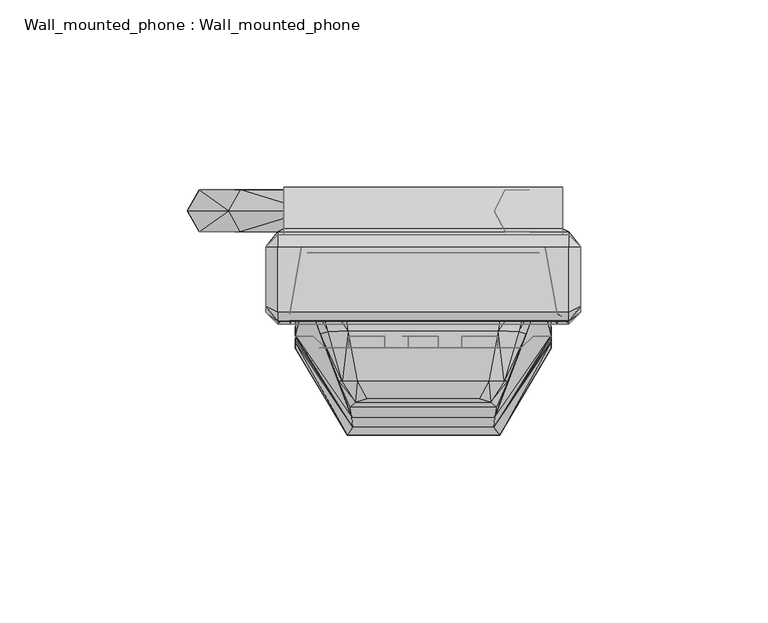
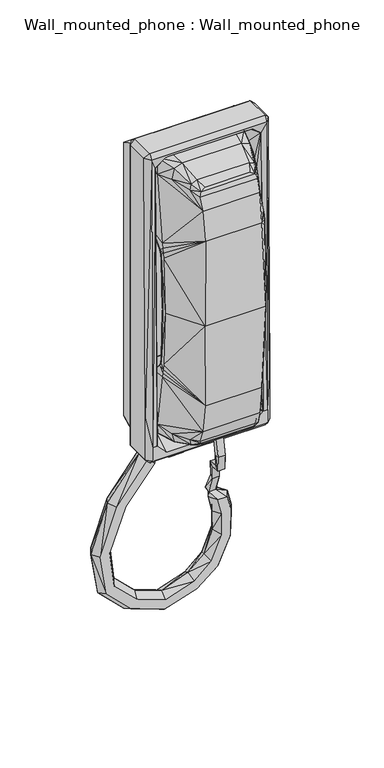
"""IFC4 building model written with IfcOpenShell, lengths in millimetres: proxy geometry, Wall_mounted_phone : Wall_mounted_phone."""

from ifc_helpers import new_model, si_unit, origin, place, context, project, spatial, triangles, source, transform, mapped, element, save


def wall_mounted_phone_wall_mounted_phone_7edd5b87(model_context):
    return source(origin(), model_context, "Body", "Tessellation", [
        triangles([(-5.5562492, -39.6874985, 1098.4839988), (-5.5562492, -39.6874985, 1108.0089988), (3.968753, -39.6874985, 1098.4839988), (3.968753, -39.6874985, 1108.0089988), (-5.5562492, -39.6874985, 1084.1964988), (-5.5562492, -39.6874985, 1093.7214988), (3.968753, -39.6874985, 1084.1964988), (3.968753, -39.6874985, 1093.7214988), (-5.5562492, -39.6874985, 1112.7714988), (-5.5562492, -39.6874985, 1122.2964988), (3.968753, -39.6874985, 1112.7714988), (3.968753, -39.6874985, 1122.2964988), (-5.5562492, -42.8625, 1108.0089988), (3.968753, -42.8625, 1108.0089988), (3.968753, -42.8625, 1098.4839988), (-5.5562492, -42.8625, 1098.4839988), (-5.5562492, -42.8625, 1093.7214988), (3.968753, -42.8625, 1093.7214988), (3.968753, -42.8625, 1084.1964988), (-5.5562492, -42.8625, 1084.1964988), (-5.5562492, -42.8625, 1122.2964988), (3.968753, -42.8625, 1122.2964988), (3.968753, -42.8625, 1112.7714988), (-5.5562492, -42.8625, 1112.7714988), (-5.5562492, -39.6874985, 1127.0589988), (-5.5562492, -39.6874985, 1136.5839988), (3.968753, -39.6874985, 1127.0589988), (3.968753, -39.6874985, 1136.5839988), (-5.5562492, -42.8625, 1136.5839988), (3.968753, -42.8625, 1136.5839988), (3.968753, -42.8625, 1127.0589988), (-5.5562492, -42.8625, 1127.0589988), (-3.9687485, -39.6874985, 1122.2964988), (-3.9687485, -42.8625, 1122.2964988), (-3.9687485, -42.8625, 1112.7714988), (-3.9687485, -39.6874985, 1112.7714988), (-10.3187492, -39.6874985, 1122.2964988), (-10.3187492, -42.8625, 1122.2964988), (-10.3187492, -39.6874985, 1112.7714988), (-10.3187492, -42.8625, 1112.7714988), (-19.8437492, -42.8625045, 1112.7714988), (-19.8437492, -39.687503, 1112.7714988), (-19.8437492, -42.8625045, 1122.2964988), (-19.8437492, -39.687503, 1122.2964988), (-10.3187492, -39.6874985, 1108.0089988), (-10.3187492, -42.8625, 1108.0089988), (-10.3187492, -39.6874985, 1098.4839988), (-10.3187492, -42.8625, 1098.4839988), (-19.8437492, -42.8625045, 1098.4839988), (-19.8437492, -39.687503, 1098.4839988), (-19.8437492, -42.8625045, 1108.0089988), (-19.8437492, -39.687503, 1108.0089988), (-10.3187492, -39.6874985, 1093.7214988), (-10.3187492, -42.8625, 1093.7214988), (-10.3187492, -39.6874985, 1084.1964988), (-10.3187492, -42.8625, 1084.1964988), (-19.8437492, -42.8625045, 1084.1964988), (-19.8437492, -39.687503, 1084.1964988), (-19.8437492, -42.8625045, 1093.7214988), (-19.8437492, -39.687503, 1093.7214988), (-3.9687485, -39.6874985, 1093.7214988), (-3.9687485, -42.8625, 1093.7214988), (-3.9687485, -42.8625, 1084.1964988), (-3.9687485, -39.6874985, 1084.1964988), (-3.9687485, -39.6874985, 1108.0089988), (-3.9687485, -42.8625, 1108.0089988), (-3.9687485, -42.8625, 1098.4839988), (-3.9687485, -39.6874985, 1098.4839988), (-3.9687485, -39.6874985, 1136.5839988), (-3.9687485, -42.8625, 1136.5839988), (-3.9687485, -42.8625, 1127.0589988), (-3.9687485, -39.6874985, 1127.0589988), (-10.3187492, -39.6874985, 1136.5839988), (-10.3187492, -42.8625, 1136.5839988), (-10.3187492, -39.6874985, 1127.0589988), (-10.3187492, -42.8625, 1127.0589988), (-19.8437492, -42.8625045, 1127.0589988), (-19.8437492, -39.687503, 1127.0589988), (-19.8437492, -42.8625045, 1136.5839988), (-19.8437492, -39.687503, 1136.5839988), (10.3187515, -42.8625, 1122.2964988), (10.3187515, -39.6874985, 1122.2964988), (10.3187515, -39.6874985, 1112.7714988), (10.3187515, -42.8625, 1112.7714988), (19.8437515, -39.6874985, 1112.7714988), (19.8437515, -42.8624955, 1112.7714988), (19.8437515, -39.6874985, 1122.2964988), (19.8437515, -42.8624955, 1122.2964988), (10.3187515, -42.8625, 1108.0089988), (10.3187515, -39.6874985, 1108.0089988), (10.3187515, -39.6874985, 1098.4839988), (10.3187515, -42.8625, 1098.4839988), (19.8437515, -39.6874985, 1098.4839988), (19.8437515, -42.8624955, 1098.4839988), (19.8437515, -39.6874985, 1108.0089988), (19.8437515, -42.8624955, 1108.0089988), (10.3187515, -42.8625, 1093.7214988), (10.3187515, -39.6874985, 1093.7214988), (10.3187515, -39.6874985, 1084.1964988), (10.3187515, -42.8625, 1084.1964988), (19.8437515, -39.6874985, 1084.1964988), (19.8437515, -42.8624955, 1084.1964988), (19.8437515, -39.6874985, 1093.7214988), (19.8437515, -42.8624955, 1093.7214988), (10.3187515, -42.8625, 1136.5839988), (10.3187515, -39.6874985, 1136.5839988), (10.3187515, -39.6874985, 1127.0589988), (10.3187515, -42.8625, 1127.0589988), (19.8437515, -39.6874985, 1127.0589988), (19.8437515, -42.8624955, 1127.0589988), (19.8437515, -39.6874985, 1136.5839988), (19.8437515, -42.8624955, 1136.5839988)], [[1, 2, 3], [4, 3, 2], [5, 6, 7], [8, 7, 6], [9, 10, 11], [12, 11, 10], [2, 13, 4], [14, 4, 13], [3, 15, 1], [16, 1, 15], [6, 17, 8], [18, 8, 17], [7, 19, 5], [20, 5, 19], [10, 21, 12], [22, 12, 21], [11, 23, 9], [24, 9, 23], [25, 26, 27], [28, 27, 26], [26, 29, 28], [30, 28, 29], [27, 31, 25], [32, 25, 31], [33, 34, 35], [35, 36, 33], [37, 38, 39], [40, 39, 38], [41, 42, 39], [39, 40, 41], [43, 44, 41], [42, 41, 44], [38, 37, 44], [44, 43, 38], [45, 46, 47], [48, 47, 46], [49, 50, 47], [47, 48, 49], [51, 52, 49], [50, 49, 52], [46, 45, 52], [52, 51, 46], [53, 54, 55], [56, 55, 54], [57, 58, 55], [55, 56, 57], [59, 60, 57], [58, 57, 60], [54, 53, 60], [60, 59, 54], [61, 62, 63], [63, 64, 61], [65, 66, 67], [67, 68, 65], [37, 39, 42], [42, 44, 37], [45, 47, 50], [50, 52, 45], [53, 55, 58], [58, 60, 53], [69, 70, 71], [71, 72, 69], [73, 74, 75], [76, 75, 74], [77, 78, 75], [75, 76, 77], [79, 80, 77], [78, 77, 80], [74, 73, 80], [80, 79, 74], [73, 75, 78], [78, 80, 73], [12, 22, 23], [23, 11, 12], [81, 82, 83], [83, 84, 81], [85, 86, 83], [84, 83, 86], [87, 88, 86], [86, 85, 87], [82, 81, 87], [88, 87, 81], [89, 90, 91], [91, 92, 89], [93, 94, 91], [92, 91, 94], [95, 96, 94], [94, 93, 95], [90, 89, 95], [96, 95, 89], [97, 98, 99], [99, 100, 97], [101, 102, 99], [100, 99, 102], [103, 104, 102], [102, 101, 103], [98, 97, 103], [104, 103, 97], [8, 18, 19], [19, 7, 8], [4, 14, 15], [15, 3, 4], [83, 82, 85], [87, 85, 82], [91, 90, 93], [95, 93, 90], [99, 98, 101], [103, 101, 98], [28, 30, 31], [31, 27, 28], [105, 106, 107], [107, 108, 105], [109, 110, 107], [108, 107, 110], [111, 112, 110], [110, 109, 111], [106, 105, 111], [112, 111, 105], [107, 106, 109], [111, 109, 106]], closed=False),
        triangles([(4.2898226, -43.7835512, 1011.8959429), (-0.4726774, -43.7835557, 1011.8959429), (-0.5678523, -46.6126481, 997.0744457), (4.1946477, -46.6126481, 997.0744457), (-0.5678523, -43.4254335, 997.0165095), (-0.4726819, -40.7412632, 1010.7540068), (4.1946477, -43.4254335, 997.0165095), (4.2898181, -40.7412587, 1010.7540068), (8.1443839, -39.5540764, 981.5109334), (3.3818839, -39.5540764, 981.5109334), (-16.7317708, -11.8254648, 873.3851932), (5.1529286, -11.8254626, 880.1334368), (-15.8151479, -11.8655128, 879.7604581), (3.3383409, -11.8655117, 886.3133648), (-55.8877894, -11.8254682, 898.1180949), (-38.9999323, -11.8254671, 881.4927288), (-35.517767, -11.8655151, 886.9110754), (-50.4694297, -11.8655162, 901.6002588), (19.2540846, -11.8254614, 891.6533005), (15.0362506, -11.8655105, 896.520954), (27.7416842, -11.8254603, 910.3872588), (21.8829121, -11.8655105, 913.0628585), (28.3210729, -11.8254603, 927.8124851), (25.7727183, -11.8254603, 938.6319919), (19.331905, -11.8655105, 938.6319919), (21.8802597, -11.8655105, 927.8124851), (-48.8428359, -11.8254671, 957.205731), (-42.6629235, -11.8655151, 955.3911615), (-28.0298014, -11.8254648, 983.8766139), (-23.1621616, -11.8655139, 979.6587754), (2.6901701, -19.9043469, 997.9039554), (-2.059976, -15.0223162, 989.5015794), (-2.5467695, -19.9043469, 997.9192342), (-6.4864, -15.022315, 990.9056907), (-2.5406925, -23.6110656, 997.9926127), (-9.6080323, -17.7266297, 989.8396947), (-11.3676678, -11.7902415, 988.7535691), (-17.324617, -13.5024859, 987.0523103), (2.6962471, -23.6110656, 997.9773157), (-7.226864, -17.7266308, 985.4681047), (-14.8260164, -13.5024836, 982.1691055), (-8.1532292, -11.7902415, 984.3819973), (3.3818839, -36.9626603, 984.3383953), (8.1443839, -36.9626603, 984.3383953), (15.8142146, -17.4791441, 972.7512029), (11.0517146, -17.4791441, 972.7512029), (11.0517146, -19.6019808, 970.2630735), (15.8142146, -19.6019808, 970.2630735), (-53.5253234, -11.8655162, 926.3059637), (-59.9005804, -11.8254682, 925.3893409), (-15.8052785, -0.7096996, 879.8290949), (3.3187972, -0.709698, 886.3799305), (5.1333803, -0.6696506, 880.2000025), (-16.721899, -0.6696525, 873.4538663), (-15.3519041, -6.3076319, 882.9823908), (2.421273, -6.3076302, 889.4365754), (-17.1851452, -6.2275331, 870.2318973), (6.0504483, -6.2275325, 877.0767557), (-50.3033675, -6.3076347, 926.7692167), (-47.7310772, -6.307633, 903.3600714), (-53.4566673, -0.7097029, 926.3158286), (-50.4110769, -0.7097026, 901.6377565), (-55.829432, -0.6696559, 898.1555926), (-38.9624312, -0.6696544, 881.5510828), (-40.7222645, -6.2275365, 878.8127325), (-58.5677857, -6.2275382, 896.3957436), (-35.4802676, -0.7097013, 886.9694294), (-33.7579339, -6.3076319, 889.6494257), (14.9908183, -0.7096969, 896.573349), (19.2086567, -0.6696493, 891.7057319), (21.3402853, -6.2275297, 889.2456713), (12.9046175, -6.3076279, 898.9809782), (30.6395133, -6.2275286, 909.0638657), (27.6785794, -0.6696486, 910.4160724), (21.8198119, -0.7096963, 913.0916722), (18.9219737, -6.307629, 914.4150834), (28.2517094, -0.6696486, 927.8124851), (25.7033502, -0.6696487, 938.6319919), (28.9584432, -6.2275308, 938.6319919), (31.5067978, -6.2275286, 927.8124851), (18.6251713, -6.307629, 927.8124851), (16.0768167, -6.307629, 938.6319919), (19.2625415, -0.7096965, 938.6319919), (21.8108962, -0.7096963, 927.8124851), (21.5106374, -1.8586255, 942.7009477), (21.5106374, -5.7213163, 941.6053569), (16.7481374, -5.7213168, 941.6053569), (16.7481374, -1.8586258, 942.7009477), (-42.5963679, -0.7097019, 955.3716133), (-23.109737, -0.7097002, 979.6133567), (-39.5396863, -6.3076325, 954.4740845), (-20.7021271, -6.3076308, 977.5271468), (-27.9773791, -0.6696535, 983.8311952), (-48.776281, -0.6696552, 957.1862009), (-19.4172355, -1.8185804, 981.8787889), (-20.1282091, -5.6812745, 981.0452097), (-23.0407527, -1.818579, 984.9693524), (21.6790683, -9.7904351, 953.502832), (22.0159254, -7.0548911, 954.8417582), (16.9165683, -9.7904328, 953.502832), (17.2534254, -7.0548899, 954.8417582), (-51.8995154, -6.2275359, 958.1032597), (-30.4374102, -6.2275342, 985.9628238), (-23.7517263, -5.6812751, 984.1357732), (-59.8319221, -0.6696562, 925.399224), (-63.0538797, -6.2275388, 924.935971)], [[1, 2, 3], [3, 4, 1], [3, 2, 5], [5, 2, 6], [1, 4, 7], [1, 7, 8], [6, 8, 7], [7, 5, 6], [4, 3, 9], [10, 9, 3], [11, 12, 13], [13, 12, 14], [15, 16, 17], [17, 18, 15], [16, 11, 17], [13, 17, 11], [12, 19, 14], [14, 19, 20], [19, 21, 20], [20, 21, 22], [23, 24, 25], [25, 26, 23], [23, 26, 22], [23, 22, 21], [27, 28, 29], [29, 28, 30], [31, 32, 33], [33, 32, 34], [35, 33, 36], [36, 33, 34], [36, 34, 37], [36, 37, 38], [39, 40, 32], [39, 32, 31], [35, 36, 40], [35, 40, 39], [40, 36, 41], [41, 36, 38], [42, 37, 34], [42, 34, 32], [32, 40, 42], [42, 40, 41], [43, 44, 45], [45, 46, 43], [5, 43, 10], [5, 10, 3], [44, 7, 9], [9, 7, 4], [5, 7, 43], [44, 43, 7], [10, 43, 47], [47, 43, 46], [44, 9, 48], [44, 48, 45], [9, 10, 47], [47, 48, 9], [49, 50, 18], [18, 50, 15], [28, 27, 49], [49, 27, 50], [51, 52, 53], [51, 53, 54], [51, 55, 52], [52, 55, 56], [57, 54, 58], [58, 54, 53], [59, 60, 61], [61, 60, 62], [63, 64, 65], [63, 65, 66], [62, 67, 63], [64, 63, 67], [60, 68, 67], [60, 67, 62], [67, 68, 51], [51, 68, 55], [65, 64, 57], [57, 64, 54], [67, 51, 54], [54, 64, 67], [52, 69, 70], [52, 70, 53], [58, 53, 71], [71, 53, 70], [52, 56, 69], [69, 56, 72], [71, 70, 73], [73, 70, 74], [69, 75, 74], [69, 74, 70], [69, 72, 75], [75, 72, 76], [77, 78, 79], [79, 80, 77], [81, 82, 83], [83, 84, 81], [84, 83, 77], [78, 77, 83], [74, 75, 77], [77, 75, 84], [76, 81, 84], [76, 84, 75], [74, 77, 80], [74, 80, 73], [85, 86, 78], [78, 86, 79], [83, 82, 87], [83, 87, 88], [88, 85, 83], [83, 85, 78], [89, 90, 91], [91, 90, 92], [93, 90, 89], [93, 89, 94], [95, 96, 90], [90, 96, 92], [95, 90, 97], [97, 90, 93], [91, 59, 89], [89, 59, 61], [98, 86, 85], [98, 85, 99], [87, 100, 88], [88, 100, 101], [98, 100, 87], [87, 86, 98], [101, 99, 85], [85, 88, 101], [102, 103, 94], [94, 103, 93], [93, 103, 104], [93, 104, 97], [62, 63, 105], [62, 105, 61], [105, 63, 106], [106, 63, 66], [94, 105, 102], [102, 105, 106], [61, 105, 94], [61, 94, 89], [14, 56, 55], [14, 55, 13], [58, 12, 11], [58, 11, 57], [49, 18, 60], [49, 60, 59], [106, 66, 15], [106, 15, 50], [18, 17, 60], [60, 17, 68], [66, 65, 15], [15, 65, 16], [13, 55, 68], [13, 68, 17], [57, 11, 16], [57, 16, 65], [71, 19, 12], [71, 12, 58], [20, 72, 56], [20, 56, 14], [73, 21, 19], [73, 19, 71], [22, 76, 72], [22, 72, 20], [80, 79, 23], [24, 23, 79], [26, 25, 81], [82, 81, 25], [22, 26, 76], [76, 26, 81], [73, 80, 21], [21, 80, 23], [86, 24, 79], [82, 25, 87], [25, 24, 86], [25, 86, 87], [91, 92, 30], [91, 30, 28], [27, 29, 103], [27, 103, 102], [95, 97, 37], [95, 37, 42], [104, 29, 30], [104, 30, 96], [96, 30, 92], [103, 29, 104], [38, 104, 96], [38, 96, 41], [42, 41, 96], [42, 96, 95], [38, 37, 104], [104, 37, 97], [48, 47, 98], [100, 98, 47], [45, 48, 99], [99, 48, 98], [47, 46, 101], [47, 101, 100], [46, 45, 101], [99, 101, 45], [102, 106, 50], [102, 50, 27], [28, 49, 59], [28, 59, 91]], closed=False),
        triangles([(-18.8494036, -64.1608548, 1050.8590079), (18.8494081, -64.1608548, 1050.8590079), (20.3732477, -66.2132322, 1109.5965019), (-20.3732432, -66.2132322, 1109.5965019), (-19.442561, -58.7403054, 1022.6117495), (19.4425632, -58.7403054, 1022.6117495), (19.145988, -61.4140702, 1030.8958369), (-19.1459812, -61.4140702, 1030.8958369), (18.013231, -57.4402757, 1019.8173344), (-18.0132242, -57.4402757, 1019.8173344), (-14.9785484, -56.4760404, 1018.3167355), (14.9785507, -56.4760404, 1018.3167355), (-17.5431289, -51.8890702, 1015.0208248), (17.5431334, -51.8890702, 1015.0208248), (-33.9269302, -38.2426285, 1074.6714988), (-30.9562477, -39.687503, 1077.8465049), (33.9269353, -38.2426194, 1074.6714988), (29.3687515, -39.6874985, 1077.8465049), (-27.7812474, -42.8625045, 1081.0215019), (26.19375, -42.8624955, 1081.0215019), (33.9117655, -37.6637439, 1070.9706255), (-33.9117569, -37.6637507, 1070.9706255), (33.8745675, -31.749997, 1063.5589958), (-33.8745658, -31.7500038, 1063.5589958), (33.9224025, -36.4899852, 1068.3215049), (-33.922398, -36.4899897, 1068.3215049), (-18.1585505, -28.846704, 1048.4777579), (-33.8700239, -30.162503, 1060.3840079), (18.1585528, -28.8466972, 1048.4777579), (33.8700256, -30.1624962, 1060.3840079), (-22.0944272, -17.4625015, 1011.1714958), (22.0944317, -17.4625004, 1011.1714958), (-22.0950381, -22.9024561, 1008.1336362), (22.0950358, -22.9024538, 1008.1336362), (18.2891634, -22.4966987, 1025.4589958), (30.95625, -17.462497, 1021.1863278), (-18.2891634, -22.4967032, 1025.4589958), (-30.95625, -17.4625049, 1021.1863278), (29.8133101, -17.462497, 1013.9087561), (-29.813309, -17.4625049, 1013.9087561), (20.0010048, -38.3601313, 1010.1367298), (-20.000998, -38.3601358, 1010.1367298), (19.4425632, -58.7403054, 1196.5812474), (-19.442561, -58.7403054, 1196.5812474), (19.145988, -61.4140702, 1188.2971736), (-19.1459812, -61.4140702, 1188.2971736), (-18.8494036, -64.1608548, 1168.3340004), (18.8494081, -64.1608548, 1168.3340004), (-18.0132242, -57.4402757, 1199.3756762), (18.013231, -57.4402757, 1199.3756762), (-14.9785484, -56.4760404, 1200.8762625), (14.9785507, -56.4760404, 1200.8762625), (17.5431334, -51.8890702, 1204.1721664), (-17.5431289, -51.8890702, 1204.1721664), (29.3687515, -39.6874985, 1141.3464988), (26.19375, -42.8624955, 1138.1715019), (-30.9562477, -39.687503, 1141.3464988), (-27.7812474, -42.8625045, 1138.1715019), (-33.9117569, -37.6637507, 1148.2223827), (33.9117655, -37.6637439, 1148.2223827), (33.9269353, -38.2426194, 1144.5215004), (-33.9269302, -38.2426285, 1144.5215004), (-33.8745658, -31.7500038, 1155.6340034), (33.8745675, -31.749997, 1155.6340034), (33.9224025, -36.4899852, 1150.8715034), (-33.922398, -36.4899897, 1150.8715034), (30.95625, -17.462497, 1198.0066691), (18.2891634, -22.4966987, 1193.7340011), (-18.2891634, -22.4967032, 1193.7340011), (-30.95625, -17.4625049, 1198.0066691), (22.0944317, -17.4625004, 1208.0215022), (-22.0944272, -17.4625015, 1208.0215022), (-22.0950381, -22.9024561, 1211.0593738), (22.0950358, -22.9024538, 1211.0593738), (29.8133101, -17.462497, 1205.2842534), (-29.813309, -17.4625049, 1205.2842534), (-33.8700239, -30.162503, 1158.8090004), (-18.1585505, -28.846704, 1170.7152504), (18.1585528, -28.8466972, 1170.7152504), (33.8700256, -30.1624962, 1158.8090004), (20.0010048, -38.3601313, 1209.056274), (-20.000998, -38.3601358, 1209.056274), (-21.5881604, -51.8890702, 1016.7307858), (-22.5235911, -51.8890702, 1020.6341086), (-34.1278928, -40.3339707, 1065.1465079), (-34.1247952, -40.9504301, 1068.3215049), (-34.1338245, -41.2407376, 1071.4965019), (-29.3687481, -39.687503, 1077.8465049), (-34.1312475, -39.687503, 1109.5965019), (-29.3687481, -39.687503, 1109.5965019), (-33.863038, -39.9095007, 1109.5965019), (-34.1378912, -43.0051285, 1109.5965019), (-28.9301609, -25.3575093, 1011.4742753), (-31.2168321, -28.6168761, 1020.4875514), (-34.1743863, -39.5469638, 1061.9715019), (-25.4331996, -38.589941, 1012.1739056), (-27.494193, -39.1644563, 1018.8807636), (-21.5881604, -51.8890702, 1202.4622122), (-22.5235911, -51.8890702, 1198.5589019), (-34.1278928, -40.3339707, 1154.0465004), (-34.1247952, -40.9504301, 1150.8715034), (-34.1338245, -41.2407376, 1147.6965019), (-28.9301609, -25.3575093, 1207.7187284), (-31.2168321, -28.6168761, 1198.7054591), (-34.1743863, -39.5469638, 1157.2215019), (-25.4331996, -38.589941, 1207.0191039), (-27.494193, -39.1644563, 1200.3122526), (-29.3687481, -39.687503, 1141.3464988), (-26.1937466, -42.8625045, 1081.0215019), (-26.1937466, -42.8625045, 1138.1715019), (21.5881627, -51.8890702, 1016.7307858), (22.5235979, -51.8890702, 1020.6341086), (34.1278951, -40.3339616, 1065.1465079), (34.1248021, -40.950421, 1068.3215049), (34.1338313, -41.2407285, 1071.4965019), (34.1312515, -39.6874985, 1109.5965019), (29.3687515, -39.6874985, 1109.5965019), (33.8630448, -39.9094962, 1109.5965019), (34.1378917, -43.0051194, 1109.5965019), (28.9301655, -25.3575024, 1011.4742753), (31.2168355, -28.6168693, 1020.4875514), (34.1743902, -39.5469593, 1061.9715019), (25.4332041, -38.5899365, 1012.1739056), (27.4941975, -39.1644517, 1018.8807636), (21.5881627, -51.8890702, 1202.4622122), (22.5235979, -51.8890702, 1198.5589019), (34.1278951, -40.3339616, 1154.0465004), (34.1248021, -40.950421, 1150.8715034), (34.1338313, -41.2407285, 1147.6965019), (28.9301655, -25.3575024, 1207.7187284), (31.2168355, -28.6168693, 1198.7054591), (34.1743902, -39.5469593, 1157.2215019), (25.4332041, -38.5899365, 1207.0191039), (27.4941975, -39.1644517, 1200.3122526), (-38.8937481, -36.5125038, 1001.6464958), (-29.3687481, -36.5125038, 1004.8215019), (-35.7187483, -36.5125038, 1011.1714958), (-42.0687485, -33.3375023, 1001.6464958), (-38.8937484, -33.3375023, 998.4715079), (-38.8937481, -36.5125038, 1011.1714958), (-42.0687485, -33.3375023, 1031.8090079), (38.8937515, -36.512497, 1001.6464958), (29.3687515, -36.512497, 1004.8215019), (38.8937515, -33.3374977, 998.4715079), (35.7187545, -36.512497, 1011.1714958), (42.0687485, -33.3374977, 1001.6464958), (38.8937515, -36.512497, 1011.1714958), (42.0687485, -33.3374977, 1031.8090079), (26.19375, -17.462497, 1007.9965079), (32.543753, -17.0324133, 1013.9253611), (-26.19375, -17.4625049, 1007.9965079), (-32.5437502, -17.0324213, 1013.9253611), (-32.5437502, -17.5301221, 1030.3262496), (32.543753, -17.5301153, 1030.3262496), (32.543753, -21.6856699, 1063.1050083), (-32.5437491, -21.6856744, 1063.1050083), (38.8937515, -12.6999981, 1001.6464958), (37.3062485, -12.6999981, 1004.8215019), (38.8937515, -12.6999981, 1031.8090079), (37.3062485, -12.6999981, 1031.8090079), (-38.8937501, -12.7000026, 1001.6464958), (-37.3062505, -12.7000026, 1004.8215019), (-38.8937501, -12.7000026, 1031.8090079), (-37.3062505, -12.7000026, 1031.8090079), (42.0687485, -15.8749985, 1001.6464958), (38.8937515, -15.8749985, 998.4715079), (42.0687485, -15.8749985, 1031.8090079), (-38.8937501, -15.875003, 998.4715079), (-42.06875, -15.875003, 1001.6464958), (-42.06875, -15.875003, 1031.8090079), (4.6112556, -18.7824462, 998.2533526), (4.6112556, -25.1324435, 998.2533526), (-4.9137467, -18.7824439, 998.2533526), (-4.9137467, -25.1324435, 998.2533526), (-32.5437491, -28.4203151, 1069.1033431), (32.543753, -28.4203106, 1069.1033431), (38.8937515, -35.7461171, 1215.9590018), (42.0687485, -31.749997, 1215.9590018), (38.8937515, -33.3374977, 1219.1340019), (-42.0687486, -31.7500038, 1215.9590018), (-38.8937481, -35.7461216, 1215.9590018), (-38.8937484, -33.3375023, 1219.1340019), (29.3687515, -35.3611683, 1214.3715019), (35.7187545, -33.8276976, 1208.0215022), (-29.3687481, -35.3611751, 1214.3715019), (-35.7187483, -33.8277045, 1208.0215022), (32.543753, -16.1785694, 1203.6820562), (26.19375, -17.1463405, 1210.0320564), (-26.19375, -17.1463473, 1210.0320564), (-32.5437502, -16.1785773, 1203.6820562), (-32.5437502, -16.0985552, 1188.9185383), (32.543753, -16.0985484, 1188.9185383), (38.8937515, -11.9336193, 1215.9590018), (37.3062485, -11.1249977, 1212.6090004), (-38.8937504, -11.9336239, 1215.9590018), (-37.3062505, -11.1250023, 1212.6090004), (-42.06875, -15.875003, 1215.9590018), (-38.8937501, -15.875003, 1219.1340019), (38.8937515, -15.8749985, 1219.1340019), (42.0687485, -15.8749985, 1215.9590018), (-32.5437491, -21.4414987, 1156.5063929), (32.543753, -21.4414942, 1156.5063929), (-32.5437491, -27.8005401, 1149.7318791), (32.543753, -27.8005356, 1149.7318791), (37.3062485, 3.3e-06, 1011.1714958), (-37.3062516, -3.3e-06, 1011.1714958), (37.3062485, 3.3e-06, 1206.4340015), (-37.3062516, -3.3e-06, 1206.4340015)], [[1, 2, 3], [3, 4, 1], [5, 6, 7], [7, 8, 5], [8, 7, 1], [2, 1, 7], [9, 10, 11], [11, 12, 9], [13, 14, 12], [12, 11, 13], [6, 5, 9], [10, 9, 5], [15, 16, 17], [18, 17, 16], [16, 19, 18], [20, 18, 19], [21, 22, 17], [15, 17, 22], [23, 24, 25], [26, 25, 24], [25, 26, 22], [22, 21, 25], [27, 28, 29], [30, 29, 28], [31, 32, 33], [34, 33, 32], [35, 36, 37], [38, 37, 36], [32, 31, 39], [40, 39, 31], [36, 39, 38], [40, 38, 39], [35, 37, 29], [27, 29, 37], [30, 28, 24], [24, 23, 30], [33, 34, 41], [41, 42, 33], [42, 41, 13], [14, 13, 41], [43, 44, 45], [46, 45, 44], [45, 46, 47], [47, 48, 45], [49, 50, 51], [52, 51, 50], [53, 54, 52], [51, 52, 54], [44, 43, 50], [50, 49, 44], [55, 56, 57], [58, 57, 56], [59, 60, 61], [61, 62, 59], [61, 55, 62], [57, 62, 55], [63, 64, 65], [65, 66, 63], [66, 65, 59], [60, 59, 65], [67, 68, 69], [69, 70, 67], [71, 72, 73], [73, 74, 71], [72, 71, 75], [75, 76, 72], [75, 67, 70], [70, 76, 75], [77, 78, 79], [79, 80, 77], [69, 68, 79], [79, 78, 69], [74, 73, 81], [82, 81, 73], [77, 80, 63], [64, 63, 80], [81, 82, 54], [54, 53, 81], [13, 11, 10], [13, 10, 83], [5, 84, 10], [10, 84, 83], [84, 5, 8], [24, 85, 26], [22, 26, 86], [86, 26, 85], [15, 22, 87], [87, 22, 86], [15, 88, 89], [89, 88, 90], [91, 15, 92], [92, 15, 87], [38, 28, 27], [38, 27, 37], [40, 93, 94], [40, 94, 38], [40, 31, 93], [93, 31, 33], [38, 94, 28], [28, 94, 95], [93, 33, 42], [93, 42, 96], [95, 85, 24], [95, 24, 28], [97, 94, 96], [96, 94, 93], [84, 8, 97], [97, 8, 94], [8, 1, 95], [8, 95, 94], [87, 1, 4], [87, 4, 92], [1, 85, 95], [1, 87, 86], [1, 86, 85], [97, 96, 83], [97, 83, 84], [96, 42, 83], [83, 42, 13], [51, 54, 49], [49, 54, 98], [99, 44, 49], [99, 49, 98], [44, 99, 46], [100, 63, 66], [66, 59, 101], [66, 101, 100], [59, 62, 102], [59, 102, 101], [103, 76, 104], [104, 76, 70], [72, 76, 103], [72, 103, 73], [77, 70, 78], [78, 70, 69], [100, 105, 63], [63, 105, 77], [73, 103, 82], [82, 103, 106], [104, 107, 106], [104, 106, 103], [104, 70, 77], [104, 77, 105], [47, 46, 105], [105, 46, 104], [46, 99, 107], [46, 107, 104], [82, 106, 98], [82, 98, 54], [106, 107, 98], [98, 107, 99], [102, 47, 101], [101, 47, 100], [100, 47, 105], [89, 90, 108], [89, 108, 62], [62, 91, 92], [62, 92, 102], [88, 109, 110], [110, 108, 88], [47, 102, 4], [4, 102, 92], [12, 14, 9], [9, 14, 111], [112, 6, 9], [112, 9, 111], [6, 112, 7], [113, 23, 25], [25, 21, 114], [25, 114, 113], [21, 17, 115], [21, 115, 114], [17, 18, 116], [116, 18, 117], [17, 118, 119], [17, 119, 115], [30, 36, 29], [29, 36, 35], [120, 39, 121], [121, 39, 36], [32, 39, 120], [32, 120, 34], [121, 36, 30], [121, 30, 122], [34, 120, 41], [41, 120, 123], [113, 122, 23], [23, 122, 30], [121, 124, 123], [121, 123, 120], [7, 112, 124], [7, 124, 121], [2, 7, 122], [122, 7, 121], [2, 115, 3], [3, 115, 119], [113, 2, 122], [115, 2, 114], [114, 2, 113], [123, 124, 111], [111, 124, 112], [41, 123, 111], [41, 111, 14], [53, 52, 50], [53, 50, 125], [43, 126, 50], [50, 126, 125], [126, 43, 45], [64, 127, 65], [60, 65, 128], [128, 65, 127], [61, 60, 129], [129, 60, 128], [75, 130, 131], [75, 131, 67], [75, 71, 130], [130, 71, 74], [67, 80, 79], [67, 79, 68], [132, 127, 64], [132, 64, 80], [130, 74, 81], [130, 81, 133], [134, 131, 133], [133, 131, 130], [67, 131, 80], [80, 131, 132], [45, 48, 132], [45, 132, 131], [126, 45, 134], [134, 45, 131], [133, 81, 125], [125, 81, 53], [134, 133, 125], [134, 125, 126], [48, 129, 128], [48, 128, 127], [48, 127, 132], [116, 117, 55], [116, 55, 61], [118, 61, 119], [119, 61, 129], [18, 20, 56], [56, 55, 18], [129, 48, 3], [129, 3, 119], [19, 58, 20], [56, 20, 58], [48, 47, 3], [4, 3, 47], [135, 136, 137], [135, 138, 139], [138, 135, 140], [140, 141, 138], [135, 137, 140], [142, 143, 135], [136, 135, 143], [142, 135, 139], [139, 144, 142], [143, 142, 145], [146, 142, 144], [145, 142, 147], [142, 146, 147], [148, 147, 146], [149, 150, 151], [152, 151, 150], [152, 150, 153], [154, 153, 150], [153, 154, 155], [155, 156, 153], [157, 158, 159], [160, 159, 158], [161, 162, 158], [158, 157, 161], [163, 164, 161], [162, 161, 164], [165, 166, 157], [165, 157, 159], [159, 167, 165], [166, 168, 161], [161, 157, 166], [168, 169, 161], [161, 169, 163], [170, 163, 169], [171, 172, 173], [174, 173, 172], [156, 155, 175], [176, 175, 155], [145, 176, 155], [145, 155, 150], [152, 156, 137], [137, 156, 175], [149, 143, 145], [149, 145, 150], [151, 136, 149], [143, 149, 136], [137, 136, 151], [137, 151, 152], [139, 138, 168], [169, 168, 138], [169, 138, 141], [141, 170, 169], [144, 139, 166], [168, 166, 139], [146, 144, 166], [166, 165, 146], [146, 165, 148], [167, 148, 165], [177, 178, 179], [180, 181, 182], [183, 184, 177], [181, 185, 177], [183, 177, 185], [179, 182, 177], [181, 177, 182], [181, 186, 185], [187, 188, 189], [189, 190, 187], [187, 190, 191], [191, 192, 187], [193, 194, 195], [196, 195, 194], [195, 197, 198], [195, 198, 199], [199, 193, 195], [200, 193, 199], [201, 202, 192], [192, 191, 201], [203, 204, 201], [202, 201, 204], [203, 201, 186], [186, 201, 191], [204, 184, 202], [202, 184, 192], [183, 188, 184], [184, 188, 187], [184, 187, 192], [179, 178, 199], [200, 199, 178], [199, 198, 182], [182, 179, 199], [185, 189, 188], [188, 183, 185], [185, 186, 189], [189, 186, 190], [186, 191, 190], [180, 182, 198], [198, 197, 180], [175, 176, 204], [204, 203, 175], [137, 175, 203], [137, 203, 186], [145, 184, 204], [145, 204, 176], [180, 141, 181], [181, 141, 140], [181, 140, 186], [186, 140, 137], [148, 178, 177], [148, 177, 147], [147, 177, 184], [147, 184, 145], [167, 159, 200], [200, 159, 193], [159, 160, 194], [159, 194, 193], [196, 164, 163], [196, 163, 195], [163, 170, 197], [163, 197, 195], [170, 141, 197], [180, 197, 141], [148, 167, 200], [200, 178, 148], [158, 162, 205], [206, 205, 162], [196, 194, 207], [207, 208, 196], [206, 162, 208], [164, 208, 162], [158, 205, 207], [207, 160, 158], [160, 207, 194], [208, 164, 196]], closed=False),
    ])


if __name__ == "__main__":
    model = new_model("IFC4")
    model_context = context("Model", 3, world=origin())
    ifc_project = project(units=[si_unit("LENGTHUNIT", "METRE", prefix="MILLI")], contexts=[model_context])
    site = spatial("IfcSite", under=ifc_project)
    building = spatial("IfcBuilding", under=site)
    placement = place(None, origin())
    wall_mounted_phone_wall_mounted_phone_shape = wall_mounted_phone_wall_mounted_phone_7edd5b87(model_context)
    element("IfcBuildingElementProxy", 1, Name="Wall_mounted_phone : Wall_mounted_phone", ObjectType="Wall_mounted_phone : Wall_mounted_phone", at=placement, inside=building, context=model_context, shape_type="MappedRepresentation", body=[
        mapped(wall_mounted_phone_wall_mounted_phone_shape, transform((0.0, 0.0, 0.0), x_axis=(1.0, 0.0, 0.0), y_axis=(0.0, 1.0, 0.0), z_axis=(0.0, 0.0, 1.0))),
    ])
    save(model, "model.ifc")
